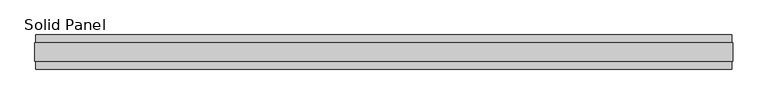
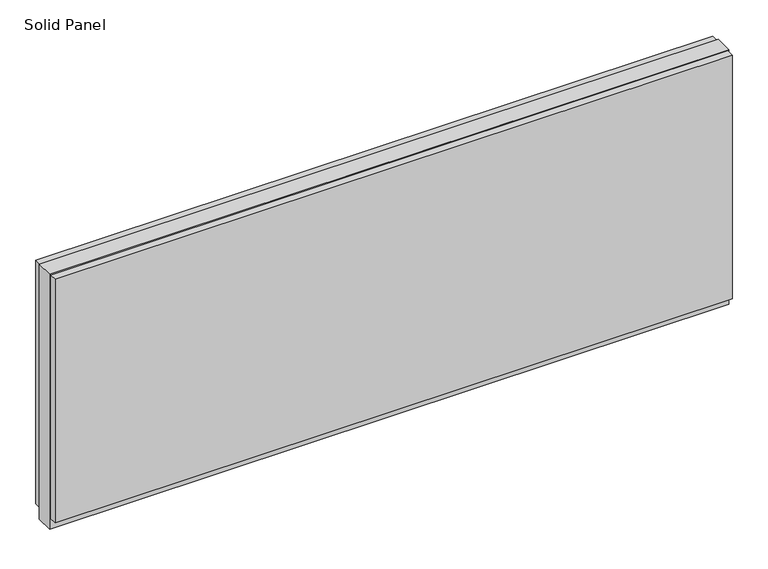
"""IFC4 building model written with IfcOpenShell, lengths in millimetres: plate geometry, Solid Panel."""

import ifcopenshell
import ifcopenshell.guid

model = None  # the IFC model being written
_history = None  # IfcOwnerHistory: only IFC2X3 demands one
_inside = {}  # id of a spatial element -> (the spatial element, [elements in it])
_under = {}  # id of a project, library or spatial element -> (it, [spatial elements below it])
_declared = {}  # id of a project -> (the project, [libraries it declares])
_typed = {}  # id of a type object -> (the type object, [elements of that type])
_made_of = {}  # id of a material, layer set ... -> (it, [elements and type objects made of it])


def new_model(schema):
    """Start an empty IFC model of exactly this schema.

    Asked for "IFC4X3", IfcOpenShell would pick the latest addendum, in which some entities
    have other attributes; the version numbers below select the first issue.
    IFC2X3 requires an IfcOwnerHistory on every rooted entity: one is made here for all.
    """
    global model, _history
    if schema == "IFC4X3":
        model = ifcopenshell.file(schema_version=(4, 3, 0, 0))
    else:
        model = ifcopenshell.file(schema=schema)
    _inside.clear()
    _under.clear()
    _declared.clear()
    _typed.clear()
    _made_of.clear()
    _history = None
    if model.schema == "IFC2X3":
        org = make("IfcOrganization", Name="unknown")
        user = make(
            "IfcPersonAndOrganization",
            ThePerson=make("IfcPerson", FamilyName="unknown"),
            TheOrganization=org,
        )
        app = make(
            "IfcApplication",
            ApplicationDeveloper=org,
            Version="unknown",
            ApplicationFullName="unknown",
            ApplicationIdentifier="unknown",
        )
        _history = make(
            "IfcOwnerHistory",
            OwningUser=user,
            OwningApplication=app,
            ChangeAction="ADDED",
            CreationDate=0,
        )
    return model


def make(cls, **values):
    """One entity of the class cls with the attributes given. An attribute that is None is left unset."""
    return model.create_entity(
        cls, **{name: value for name, value in values.items() if value is not None}
    )


def rooted(cls, **values):
    """An entity with a GlobalId (a new one), such as an element, a storey or a relation."""
    return make(cls, GlobalId=ifcopenshell.guid.new(), OwnerHistory=_history, **values)


def si_unit(unit_type, name, prefix=None):
    """IfcSIUnit, for example si_unit("LENGTHUNIT", "METRE", prefix="MILLI")."""
    return make("IfcSIUnit", UnitType=unit_type, Prefix=prefix, Name=name)


def assignment(units):
    """IfcUnitAssignment: the units of a project."""
    return None if units is None else make("IfcUnitAssignment", Units=units)


def point(xyz):
    """IfcCartesianPoint."""
    return None if xyz is None else make("IfcCartesianPoint", Coordinates=xyz)


def direction(xyz):
    """IfcDirection."""
    return None if xyz is None else make("IfcDirection", DirectionRatios=xyz)


def frame(location, z_axis=None, x_axis=None):
    """IfcAxis2Placement3D, a coordinate frame: its origin and axes. An axis left out is left unset."""
    return make(
        "IfcAxis2Placement3D",
        Location=point(location),
        Axis=direction(z_axis),
        RefDirection=direction(x_axis),
    )


def origin():
    """The frame at (0, 0, 0) with its axes left unset."""
    return frame((0.0, 0.0, 0.0))


def origin_with_axes():
    """The frame at (0, 0, 0) with the z axis (0, 0, 1) and the x axis (1, 0, 0) written out."""
    return frame((0.0, 0.0, 0.0), z_axis=(0.0, 0.0, 1.0), x_axis=(1.0, 0.0, 0.0))


def place(relative_to, where):
    """IfcLocalPlacement: puts the frame where relative to a parent placement (None: the world)."""
    return make(
        "IfcLocalPlacement", PlacementRelTo=relative_to, RelativePlacement=where
    )


def context(
    kind, dimensions, precision=None, world=None, true_north=None, identifier=None
):
    """IfcGeometricRepresentationContext, for example the 3D "Model" context."""
    return make(
        "IfcGeometricRepresentationContext",
        ContextIdentifier=identifier,
        ContextType=kind,
        CoordinateSpaceDimension=dimensions,
        Precision=precision,
        WorldCoordinateSystem=world,
        TrueNorth=true_north,
    )


def project(units=None, contexts=None):
    """IfcProject with its units and contexts."""
    return rooted(
        "IfcProject",
        Name="project",
        RepresentationContexts=contexts,
        UnitsInContext=assignment(units),
    )


def spatial(cls, under=None, at=None, **own):
    """A site, building, storey or space (cls), placed at a placement, below another one or the project."""
    s = rooted(cls, ObjectPlacement=at, **own)
    if under is not None:
        _under.setdefault(under.id(), (under, []))[1].append(s)
    return s


def polyline(points):
    """IfcPolyline through the points."""
    return make("IfcPolyline", Points=[point(p) for p in points])


def outline(outer, holes=None, kind="AREA"):
    """IfcArbitraryClosedProfileDef: a profile drawn as a closed curve; with holes, ...WithVoids."""
    if holes is None:
        return make("IfcArbitraryClosedProfileDef", ProfileType=kind, OuterCurve=outer)
    return make(
        "IfcArbitraryProfileDefWithVoids",
        ProfileType=kind,
        OuterCurve=outer,
        InnerCurves=holes,
    )


def extrude(swept, where, along, depth):
    """IfcExtrudedAreaSolid: the profile swept, set in the frame where, extruded along a direction by depth."""
    return make(
        "IfcExtrudedAreaSolid",
        SweptArea=swept,
        Position=where,
        ExtrudedDirection=direction(along),
        Depth=depth,
    )


def shape(context_of_items, identifier, shape_type, items):
    """IfcShapeRepresentation: the items that make up one representation, for example the "Body"."""
    return make(
        "IfcShapeRepresentation",
        ContextOfItems=context_of_items,
        RepresentationIdentifier=identifier,
        RepresentationType=shape_type,
        Items=items,
    )


def source(mapping_origin, context_of_items, identifier, shape_type, items):
    """IfcRepresentationMap: a shape defined once, which mapped items show again and again."""
    return make(
        "IfcRepresentationMap",
        MappingOrigin=mapping_origin,
        MappedRepresentation=shape(context_of_items, identifier, shape_type, items),
    )


def transform(
    local_origin,
    x_axis=None,
    y_axis=None,
    z_axis=None,
    scale=None,
    scale2=None,
    scale3=None,
    uniform=True,
):
    """IfcCartesianTransformationOperator3D, or its non-uniform kind. x_axis, y_axis, z_axis: its Axis1, 2, 3."""
    if uniform:
        return make(
            "IfcCartesianTransformationOperator3D",
            Axis1=direction(x_axis),
            Axis2=direction(y_axis),
            LocalOrigin=point(local_origin),
            Scale=scale,
            Axis3=direction(z_axis),
        )
    return make(
        "IfcCartesianTransformationOperator3DnonUniform",
        Axis1=direction(x_axis),
        Axis2=direction(y_axis),
        LocalOrigin=point(local_origin),
        Scale=scale,
        Axis3=direction(z_axis),
        Scale2=scale2,
        Scale3=scale3,
    )


def mapped(mapping_source, mapping_target):
    """IfcMappedItem: shows the shape of a source again, moved by a transform."""
    return make(
        "IfcMappedItem", MappingSource=mapping_source, MappingTarget=mapping_target
    )


def made_of(thing, what):
    """Note that an element or type object is made of a material, layer set ...; save() writes the relation."""
    if what is not None:
        _made_of.setdefault(what.id(), (what, []))[1].append(thing)
    return thing


def element(
    cls,
    number,
    at=None,
    inside=None,
    cuts=None,
    type_object=None,
    material=None,
    context=None,
    identifier="Body",
    shape_type=None,
    held_by="IfcProductDefinitionShape",
    body=None,
    shapes=None,
    **own,
):
    """One element of the class cls, such as IfcWall. Its Tag is "e" and its number.

    at: its placement. inside: the storey or other place that contains it. cuts: it is an
    opening in that element (IfcRelVoidsElement). A single representation is given by context,
    identifier, shape_type and body (its items); several are given by shapes. held_by: the class
    of the entity that holds the representations. save() writes the other relations.
    """
    e = rooted(cls, Tag="e%d" % number, ObjectPlacement=at, **own)
    if body is not None:
        shapes = [shape(context, identifier, shape_type, body)]
    if shapes is not None:
        e.Representation = make(held_by, Representations=shapes)
    if inside is not None:
        _inside.setdefault(inside.id(), (inside, []))[1].append(e)
    if cuts is not None:
        rooted(
            "IfcRelVoidsElement", RelatingBuildingElement=cuts, RelatedOpeningElement=e
        )
    if type_object is not None:
        _typed.setdefault(type_object.id(), (type_object, []))[1].append(e)
    return made_of(e, material)


def aggregate(whole, parts):
    """IfcRelAggregates: a whole, such as a stair, and the parts it consists of."""
    return rooted("IfcRelAggregates", RelatingObject=whole, RelatedObjects=parts)


def save(model, path):
    """Write the relations noted so far, then the file.

    IfcRelAggregates (storeys below a building ...), IfcRelContainedInSpatialStructure (elements
    in a storey), IfcRelDefinesByType, IfcRelAssociatesMaterial and IfcRelDeclares: one each for
    every whole, place, type object, material and project.
    """
    for whole, parts in _under.values():
        aggregate(whole, parts)
    for where, things in _inside.values():
        rooted(
            "IfcRelContainedInSpatialStructure",
            RelatedElements=things,
            RelatingStructure=where,
        )
    for kind, things in _typed.values():
        rooted("IfcRelDefinesByType", RelatedObjects=things, RelatingType=kind)
    for what, things in _made_of.values():
        rooted("IfcRelAssociatesMaterial", RelatedObjects=things, RelatingMaterial=what)
    for by, libraries in _declared.values():
        rooted("IfcRelDeclares", RelatingContext=by, RelatedDefinitions=libraries)
    model.write(path)


def solid_panel_c96000de(model_context):
    return source(origin(), model_context, "Body", "SweptSolid", [
        extrude(outline(polyline([(989.0758932, -48.4531867), (-989.0758932, -48.4531867), (-989.0758932, -25.9961), (989.0758932, -25.9961), (989.0758932, -48.4531867)])), frame((0.0, 0.0, 32.004), z_axis=(0.0, 0.0, 1.0), x_axis=(1.0, 0.0, 0.0)), (0.0, 0.0, 1.0), 752.3861),
        extrude(outline(polyline([(989.0758932, 25.9977), (-989.0758932, 25.9977), (-989.0758932, 48.4547867), (989.0758932, 48.4547867), (989.0758932, 25.9977)])), frame((0.0, 0.0, 32.004), z_axis=(0.0, 0.0, 1.0), x_axis=(1.0, 0.0, 0.0)), (0.0, 0.0, 1.0), 752.3861),
        extrude(outline(polyline([(992.0730932, -25.9961), (-992.0730932, -25.9961), (-992.0730932, 25.9977), (992.0730932, 25.9977), (992.0730932, -25.9961)])), origin_with_axes(), (0.0, 0.0, 1.0), 787.4),
    ])


if __name__ == "__main__":
    model = new_model("IFC4")
    model_context = context("Model", 3, world=origin())
    ifc_project = project(units=[si_unit("LENGTHUNIT", "METRE", prefix="MILLI")], contexts=[model_context])
    site = spatial("IfcSite", under=ifc_project)
    building = spatial("IfcBuilding", under=site)
    placement = place(None, origin())
    solid_panel_shape = solid_panel_c96000de(model_context)
    element("IfcPlate", 1, ObjectType="Solid Panel", at=placement, inside=building, context=model_context, shape_type="MappedRepresentation", body=[
        mapped(solid_panel_shape, transform((0.0, 0.0, 0.0), x_axis=(1.0, 0.0, 0.0), y_axis=(0.0, 1.0, 0.0), z_axis=(0.0, 0.0, 1.0))),
    ])
    save(model, "model.ifc")
